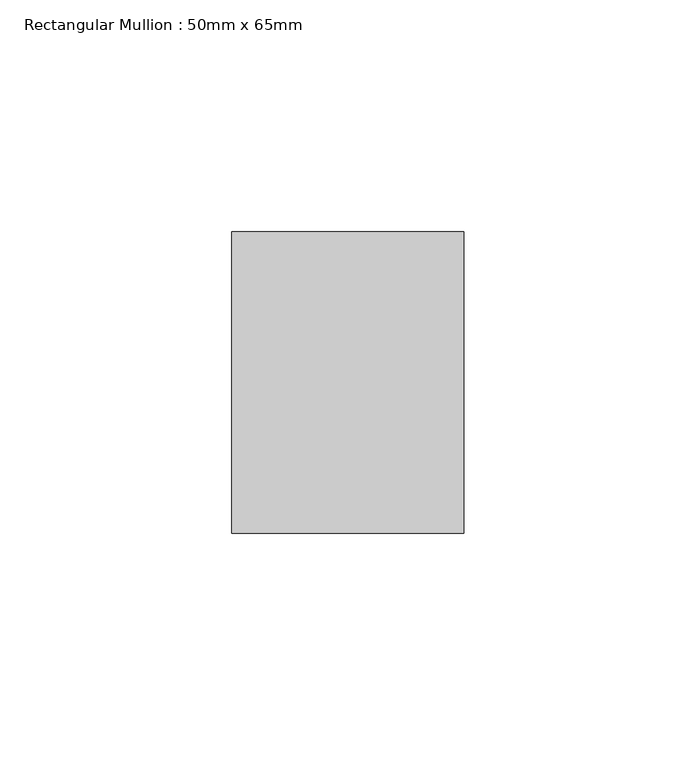
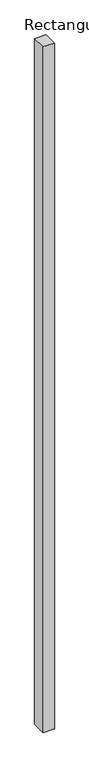
"""IFC4 building model written with IfcOpenShell, lengths in millimetres: member geometry, Rectangular Mullion : 50mm x 65mm."""

from ifc_helpers import new_model, si_unit, frame, origin, place, context, project, spatial, polyline, outline, extrude, source, transform, mapped, element, save


def rectangular_mullion_50mm_x_65mm_4efd91ea(model_context):
    return source(origin(), model_context, "Body", "SweptSolid", [
        extrude(outline(polyline([(25.0, 32.5), (25.0, -32.5), (-25.0, -32.5), (-25.0, 32.5), (25.0, 32.5)])), frame((0.0, 0.0, -3235.2677307), z_axis=(0.0, 0.0, 1.0), x_axis=(1.0, 0.0, 0.0)), (0.0, 0.0, 1.0), 3235.2677307),
    ])


if __name__ == "__main__":
    model = new_model("IFC4")
    model_context = context("Model", 3, world=origin())
    ifc_project = project(units=[si_unit("LENGTHUNIT", "METRE", prefix="MILLI")], contexts=[model_context])
    site = spatial("IfcSite", under=ifc_project)
    building = spatial("IfcBuilding", under=site)
    placement = place(None, origin())
    rectangular_mullion_50mm_x_65mm_shape = rectangular_mullion_50mm_x_65mm_4efd91ea(model_context)
    element("IfcMember", 1, ObjectType="Rectangular Mullion : 50mm x 65mm", at=placement, inside=building, context=model_context, shape_type="MappedRepresentation", body=[
        mapped(rectangular_mullion_50mm_x_65mm_shape, transform((0.0, 0.0, 0.0), x_axis=(1.0, 0.0, 0.0), y_axis=(0.0, 1.0, 0.0), z_axis=(0.0, 0.0, 1.0))),
    ])
    save(model, "model.ifc")
